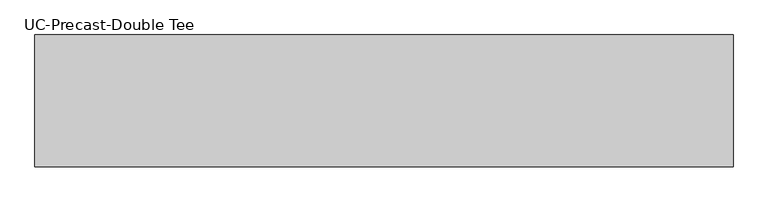
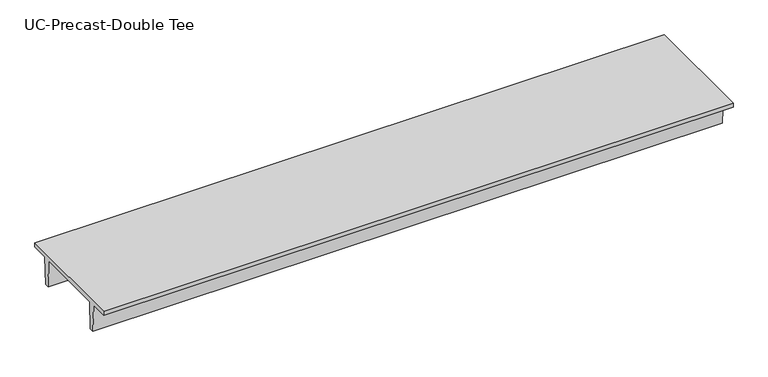
"""IFC4 building model written with IfcOpenShell, lengths in millimetres: beam geometry, UC-Precast-Double Tee."""

import ifcopenshell
import ifcopenshell.guid

model = None  # the IFC model being written
_history = None  # IfcOwnerHistory: only IFC2X3 demands one
_inside = {}  # id of a spatial element -> (the spatial element, [elements in it])
_under = {}  # id of a project, library or spatial element -> (it, [spatial elements below it])
_declared = {}  # id of a project -> (the project, [libraries it declares])
_typed = {}  # id of a type object -> (the type object, [elements of that type])
_made_of = {}  # id of a material, layer set ... -> (it, [elements and type objects made of it])


def new_model(schema):
    """Start an empty IFC model of exactly this schema.

    Asked for "IFC4X3", IfcOpenShell would pick the latest addendum, in which some entities
    have other attributes; the version numbers below select the first issue.
    IFC2X3 requires an IfcOwnerHistory on every rooted entity: one is made here for all.
    """
    global model, _history
    if schema == "IFC4X3":
        model = ifcopenshell.file(schema_version=(4, 3, 0, 0))
    else:
        model = ifcopenshell.file(schema=schema)
    _inside.clear()
    _under.clear()
    _declared.clear()
    _typed.clear()
    _made_of.clear()
    _history = None
    if model.schema == "IFC2X3":
        org = make("IfcOrganization", Name="unknown")
        user = make(
            "IfcPersonAndOrganization",
            ThePerson=make("IfcPerson", FamilyName="unknown"),
            TheOrganization=org,
        )
        app = make(
            "IfcApplication",
            ApplicationDeveloper=org,
            Version="unknown",
            ApplicationFullName="unknown",
            ApplicationIdentifier="unknown",
        )
        _history = make(
            "IfcOwnerHistory",
            OwningUser=user,
            OwningApplication=app,
            ChangeAction="ADDED",
            CreationDate=0,
        )
    return model


def make(cls, **values):
    """One entity of the class cls with the attributes given. An attribute that is None is left unset."""
    return model.create_entity(
        cls, **{name: value for name, value in values.items() if value is not None}
    )


def rooted(cls, **values):
    """An entity with a GlobalId (a new one), such as an element, a storey or a relation."""
    return make(cls, GlobalId=ifcopenshell.guid.new(), OwnerHistory=_history, **values)


def si_unit(unit_type, name, prefix=None):
    """IfcSIUnit, for example si_unit("LENGTHUNIT", "METRE", prefix="MILLI")."""
    return make("IfcSIUnit", UnitType=unit_type, Prefix=prefix, Name=name)


def assignment(units):
    """IfcUnitAssignment: the units of a project."""
    return None if units is None else make("IfcUnitAssignment", Units=units)


def point(xyz):
    """IfcCartesianPoint."""
    return None if xyz is None else make("IfcCartesianPoint", Coordinates=xyz)


def direction(xyz):
    """IfcDirection."""
    return None if xyz is None else make("IfcDirection", DirectionRatios=xyz)


def frame(location, z_axis=None, x_axis=None):
    """IfcAxis2Placement3D, a coordinate frame: its origin and axes. An axis left out is left unset."""
    return make(
        "IfcAxis2Placement3D",
        Location=point(location),
        Axis=direction(z_axis),
        RefDirection=direction(x_axis),
    )


def origin():
    """The frame at (0, 0, 0) with its axes left unset."""
    return frame((0.0, 0.0, 0.0))


def place(relative_to, where):
    """IfcLocalPlacement: puts the frame where relative to a parent placement (None: the world)."""
    return make(
        "IfcLocalPlacement", PlacementRelTo=relative_to, RelativePlacement=where
    )


def context(
    kind, dimensions, precision=None, world=None, true_north=None, identifier=None
):
    """IfcGeometricRepresentationContext, for example the 3D "Model" context."""
    return make(
        "IfcGeometricRepresentationContext",
        ContextIdentifier=identifier,
        ContextType=kind,
        CoordinateSpaceDimension=dimensions,
        Precision=precision,
        WorldCoordinateSystem=world,
        TrueNorth=true_north,
    )


def project(units=None, contexts=None):
    """IfcProject with its units and contexts."""
    return rooted(
        "IfcProject",
        Name="project",
        RepresentationContexts=contexts,
        UnitsInContext=assignment(units),
    )


def spatial(cls, under=None, at=None, **own):
    """A site, building, storey or space (cls), placed at a placement, below another one or the project."""
    s = rooted(cls, ObjectPlacement=at, **own)
    if under is not None:
        _under.setdefault(under.id(), (under, []))[1].append(s)
    return s


def polyline(points):
    """IfcPolyline through the points."""
    return make("IfcPolyline", Points=[point(p) for p in points])


def outline(outer, holes=None, kind="AREA"):
    """IfcArbitraryClosedProfileDef: a profile drawn as a closed curve; with holes, ...WithVoids."""
    if holes is None:
        return make("IfcArbitraryClosedProfileDef", ProfileType=kind, OuterCurve=outer)
    return make(
        "IfcArbitraryProfileDefWithVoids",
        ProfileType=kind,
        OuterCurve=outer,
        InnerCurves=holes,
    )


def extrude(swept, where, along, depth):
    """IfcExtrudedAreaSolid: the profile swept, set in the frame where, extruded along a direction by depth."""
    return make(
        "IfcExtrudedAreaSolid",
        SweptArea=swept,
        Position=where,
        ExtrudedDirection=direction(along),
        Depth=depth,
    )


def shape(context_of_items, identifier, shape_type, items):
    """IfcShapeRepresentation: the items that make up one representation, for example the "Body"."""
    return make(
        "IfcShapeRepresentation",
        ContextOfItems=context_of_items,
        RepresentationIdentifier=identifier,
        RepresentationType=shape_type,
        Items=items,
    )


def source(mapping_origin, context_of_items, identifier, shape_type, items):
    """IfcRepresentationMap: a shape defined once, which mapped items show again and again."""
    return make(
        "IfcRepresentationMap",
        MappingOrigin=mapping_origin,
        MappedRepresentation=shape(context_of_items, identifier, shape_type, items),
    )


def transform(
    local_origin,
    x_axis=None,
    y_axis=None,
    z_axis=None,
    scale=None,
    scale2=None,
    scale3=None,
    uniform=True,
):
    """IfcCartesianTransformationOperator3D, or its non-uniform kind. x_axis, y_axis, z_axis: its Axis1, 2, 3."""
    if uniform:
        return make(
            "IfcCartesianTransformationOperator3D",
            Axis1=direction(x_axis),
            Axis2=direction(y_axis),
            LocalOrigin=point(local_origin),
            Scale=scale,
            Axis3=direction(z_axis),
        )
    return make(
        "IfcCartesianTransformationOperator3DnonUniform",
        Axis1=direction(x_axis),
        Axis2=direction(y_axis),
        LocalOrigin=point(local_origin),
        Scale=scale,
        Axis3=direction(z_axis),
        Scale2=scale2,
        Scale3=scale3,
    )


def mapped(mapping_source, mapping_target):
    """IfcMappedItem: shows the shape of a source again, moved by a transform."""
    return make(
        "IfcMappedItem", MappingSource=mapping_source, MappingTarget=mapping_target
    )


def made_of(thing, what):
    """Note that an element or type object is made of a material, layer set ...; save() writes the relation."""
    if what is not None:
        _made_of.setdefault(what.id(), (what, []))[1].append(thing)
    return thing


def element(
    cls,
    number,
    at=None,
    inside=None,
    cuts=None,
    type_object=None,
    material=None,
    context=None,
    identifier="Body",
    shape_type=None,
    held_by="IfcProductDefinitionShape",
    body=None,
    shapes=None,
    **own,
):
    """One element of the class cls, such as IfcWall. Its Tag is "e" and its number.

    at: its placement. inside: the storey or other place that contains it. cuts: it is an
    opening in that element (IfcRelVoidsElement). A single representation is given by context,
    identifier, shape_type and body (its items); several are given by shapes. held_by: the class
    of the entity that holds the representations. save() writes the other relations.
    """
    e = rooted(cls, Tag="e%d" % number, ObjectPlacement=at, **own)
    if body is not None:
        shapes = [shape(context, identifier, shape_type, body)]
    if shapes is not None:
        e.Representation = make(held_by, Representations=shapes)
    if inside is not None:
        _inside.setdefault(inside.id(), (inside, []))[1].append(e)
    if cuts is not None:
        rooted(
            "IfcRelVoidsElement", RelatingBuildingElement=cuts, RelatedOpeningElement=e
        )
    if type_object is not None:
        _typed.setdefault(type_object.id(), (type_object, []))[1].append(e)
    return made_of(e, material)


def aggregate(whole, parts):
    """IfcRelAggregates: a whole, such as a stair, and the parts it consists of."""
    return rooted("IfcRelAggregates", RelatingObject=whole, RelatedObjects=parts)


def save(model, path):
    """Write the relations noted so far, then the file.

    IfcRelAggregates (storeys below a building ...), IfcRelContainedInSpatialStructure (elements
    in a storey), IfcRelDefinesByType, IfcRelAssociatesMaterial and IfcRelDeclares: one each for
    every whole, place, type object, material and project.
    """
    for whole, parts in _under.values():
        aggregate(whole, parts)
    for where, things in _inside.values():
        rooted(
            "IfcRelContainedInSpatialStructure",
            RelatedElements=things,
            RelatingStructure=where,
        )
    for kind, things in _typed.values():
        rooted("IfcRelDefinesByType", RelatedObjects=things, RelatingType=kind)
    for what, things in _made_of.values():
        rooted("IfcRelAssociatesMaterial", RelatedObjects=things, RelatingMaterial=what)
    for by, libraries in _declared.values():
        rooted("IfcRelDeclares", RelatingContext=by, RelatedDefinitions=libraries)
    model.write(path)


def uc_precast_double_tee_dc80d08d(model_context):
    return source(origin(), model_context, "Body", "SweptSolid", [
        extrude(outline(polyline([(1397.0, 381.0), (1397.0, 279.4), (990.6, 279.4), (965.2, -381.0), (863.6, -381.0), (838.2, 279.4), (-838.2, 279.4), (-863.6, -381.0), (-965.2, -381.0), (-990.6, 279.4), (-1397.0, 279.4), (-1397.0, 381.0), (1397.0, 381.0)])), frame((-7366.0, 0.0, 0.0), z_axis=(1.0, 0.0, 0.0), x_axis=(0.0, 1.0, 0.0)), (0.0, 0.0, 1.0), 14791.7657187),
    ])


if __name__ == "__main__":
    model = new_model("IFC4")
    model_context = context("Model", 3, world=origin())
    ifc_project = project(units=[si_unit("LENGTHUNIT", "METRE", prefix="MILLI")], contexts=[model_context])
    site = spatial("IfcSite", under=ifc_project)
    building = spatial("IfcBuilding", under=site)
    placement = place(None, origin())
    uc_precast_double_tee_shape = uc_precast_double_tee_dc80d08d(model_context)
    element("IfcBeam", 1, ObjectType="UC-Precast-Double Tee", at=placement, inside=building, context=model_context, shape_type="MappedRepresentation", body=[
        mapped(uc_precast_double_tee_shape, transform((0.0, 0.0, 0.0), x_axis=(1.0, 0.0, 0.0), y_axis=(0.0, 1.0, 0.0), z_axis=(0.0, 0.0, 1.0))),
    ])
    save(model, "model.ifc")
